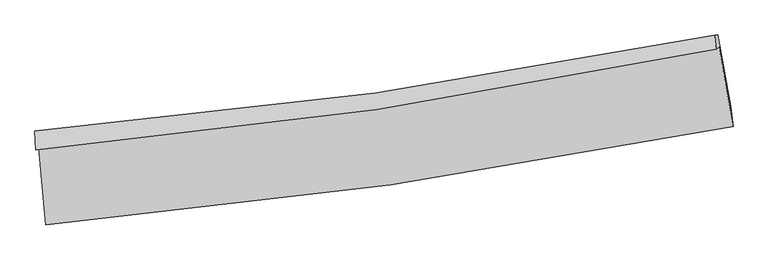
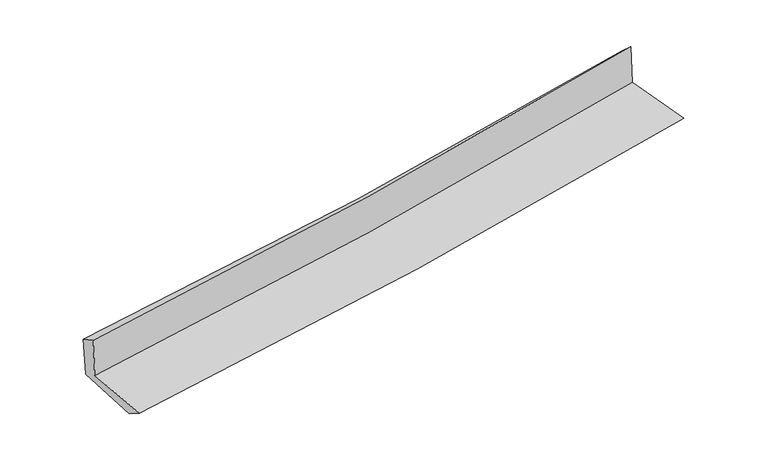
"""IFC4 building model written with IfcOpenShell, lengths in millimetres: proxy geometry."""

import ifcopenshell
import ifcopenshell.guid

model = None  # the IFC model being written
_history = None  # IfcOwnerHistory: only IFC2X3 demands one
_inside = {}  # id of a spatial element -> (the spatial element, [elements in it])
_under = {}  # id of a project, library or spatial element -> (it, [spatial elements below it])
_declared = {}  # id of a project -> (the project, [libraries it declares])
_typed = {}  # id of a type object -> (the type object, [elements of that type])
_made_of = {}  # id of a material, layer set ... -> (it, [elements and type objects made of it])


def new_model(schema):
    """Start an empty IFC model of exactly this schema.

    Asked for "IFC4X3", IfcOpenShell would pick the latest addendum, in which some entities
    have other attributes; the version numbers below select the first issue.
    IFC2X3 requires an IfcOwnerHistory on every rooted entity: one is made here for all.
    """
    global model, _history
    if schema == "IFC4X3":
        model = ifcopenshell.file(schema_version=(4, 3, 0, 0))
    else:
        model = ifcopenshell.file(schema=schema)
    _inside.clear()
    _under.clear()
    _declared.clear()
    _typed.clear()
    _made_of.clear()
    _history = None
    if model.schema == "IFC2X3":
        org = make("IfcOrganization", Name="unknown")
        user = make(
            "IfcPersonAndOrganization",
            ThePerson=make("IfcPerson", FamilyName="unknown"),
            TheOrganization=org,
        )
        app = make(
            "IfcApplication",
            ApplicationDeveloper=org,
            Version="unknown",
            ApplicationFullName="unknown",
            ApplicationIdentifier="unknown",
        )
        _history = make(
            "IfcOwnerHistory",
            OwningUser=user,
            OwningApplication=app,
            ChangeAction="ADDED",
            CreationDate=0,
        )
    return model


def make(cls, **values):
    """One entity of the class cls with the attributes given. An attribute that is None is left unset."""
    return model.create_entity(
        cls, **{name: value for name, value in values.items() if value is not None}
    )


def rooted(cls, **values):
    """An entity with a GlobalId (a new one), such as an element, a storey or a relation."""
    return make(cls, GlobalId=ifcopenshell.guid.new(), OwnerHistory=_history, **values)


def si_unit(unit_type, name, prefix=None):
    """IfcSIUnit, for example si_unit("LENGTHUNIT", "METRE", prefix="MILLI")."""
    return make("IfcSIUnit", UnitType=unit_type, Prefix=prefix, Name=name)


def assignment(units):
    """IfcUnitAssignment: the units of a project."""
    return None if units is None else make("IfcUnitAssignment", Units=units)


def point(xyz):
    """IfcCartesianPoint."""
    return None if xyz is None else make("IfcCartesianPoint", Coordinates=xyz)


def direction(xyz):
    """IfcDirection."""
    return None if xyz is None else make("IfcDirection", DirectionRatios=xyz)


def frame(location, z_axis=None, x_axis=None):
    """IfcAxis2Placement3D, a coordinate frame: its origin and axes. An axis left out is left unset."""
    return make(
        "IfcAxis2Placement3D",
        Location=point(location),
        Axis=direction(z_axis),
        RefDirection=direction(x_axis),
    )


def origin():
    """The frame at (0, 0, 0) with its axes left unset."""
    return frame((0.0, 0.0, 0.0))


def place(relative_to, where):
    """IfcLocalPlacement: puts the frame where relative to a parent placement (None: the world)."""
    return make(
        "IfcLocalPlacement", PlacementRelTo=relative_to, RelativePlacement=where
    )


def context(
    kind, dimensions, precision=None, world=None, true_north=None, identifier=None
):
    """IfcGeometricRepresentationContext, for example the 3D "Model" context."""
    return make(
        "IfcGeometricRepresentationContext",
        ContextIdentifier=identifier,
        ContextType=kind,
        CoordinateSpaceDimension=dimensions,
        Precision=precision,
        WorldCoordinateSystem=world,
        TrueNorth=true_north,
    )


def project(units=None, contexts=None):
    """IfcProject with its units and contexts."""
    return rooted(
        "IfcProject",
        Name="project",
        RepresentationContexts=contexts,
        UnitsInContext=assignment(units),
    )


def spatial(cls, under=None, at=None, **own):
    """A site, building, storey or space (cls), placed at a placement, below another one or the project."""
    s = rooted(cls, ObjectPlacement=at, **own)
    if under is not None:
        _under.setdefault(under.id(), (under, []))[1].append(s)
    return s


def shape(context_of_items, identifier, shape_type, items):
    """IfcShapeRepresentation: the items that make up one representation, for example the "Body"."""
    return make(
        "IfcShapeRepresentation",
        ContextOfItems=context_of_items,
        RepresentationIdentifier=identifier,
        RepresentationType=shape_type,
        Items=items,
    )


def source(mapping_origin, context_of_items, identifier, shape_type, items):
    """IfcRepresentationMap: a shape defined once, which mapped items show again and again."""
    return make(
        "IfcRepresentationMap",
        MappingOrigin=mapping_origin,
        MappedRepresentation=shape(context_of_items, identifier, shape_type, items),
    )


def transform(
    local_origin,
    x_axis=None,
    y_axis=None,
    z_axis=None,
    scale=None,
    scale2=None,
    scale3=None,
    uniform=True,
):
    """IfcCartesianTransformationOperator3D, or its non-uniform kind. x_axis, y_axis, z_axis: its Axis1, 2, 3."""
    if uniform:
        return make(
            "IfcCartesianTransformationOperator3D",
            Axis1=direction(x_axis),
            Axis2=direction(y_axis),
            LocalOrigin=point(local_origin),
            Scale=scale,
            Axis3=direction(z_axis),
        )
    return make(
        "IfcCartesianTransformationOperator3DnonUniform",
        Axis1=direction(x_axis),
        Axis2=direction(y_axis),
        LocalOrigin=point(local_origin),
        Scale=scale,
        Axis3=direction(z_axis),
        Scale2=scale2,
        Scale3=scale3,
    )


def mapped(mapping_source, mapping_target):
    """IfcMappedItem: shows the shape of a source again, moved by a transform."""
    return make(
        "IfcMappedItem", MappingSource=mapping_source, MappingTarget=mapping_target
    )


def made_of(thing, what):
    """Note that an element or type object is made of a material, layer set ...; save() writes the relation."""
    if what is not None:
        _made_of.setdefault(what.id(), (what, []))[1].append(thing)
    return thing


def element(
    cls,
    number,
    at=None,
    inside=None,
    cuts=None,
    type_object=None,
    material=None,
    context=None,
    identifier="Body",
    shape_type=None,
    held_by="IfcProductDefinitionShape",
    body=None,
    shapes=None,
    **own,
):
    """One element of the class cls, such as IfcWall. Its Tag is "e" and its number.

    at: its placement. inside: the storey or other place that contains it. cuts: it is an
    opening in that element (IfcRelVoidsElement). A single representation is given by context,
    identifier, shape_type and body (its items); several are given by shapes. held_by: the class
    of the entity that holds the representations. save() writes the other relations.
    """
    e = rooted(cls, Tag="e%d" % number, ObjectPlacement=at, **own)
    if body is not None:
        shapes = [shape(context, identifier, shape_type, body)]
    if shapes is not None:
        e.Representation = make(held_by, Representations=shapes)
    if inside is not None:
        _inside.setdefault(inside.id(), (inside, []))[1].append(e)
    if cuts is not None:
        rooted(
            "IfcRelVoidsElement", RelatingBuildingElement=cuts, RelatedOpeningElement=e
        )
    if type_object is not None:
        _typed.setdefault(type_object.id(), (type_object, []))[1].append(e)
    return made_of(e, material)


def aggregate(whole, parts):
    """IfcRelAggregates: a whole, such as a stair, and the parts it consists of."""
    return rooted("IfcRelAggregates", RelatingObject=whole, RelatedObjects=parts)


def save(model, path):
    """Write the relations noted so far, then the file.

    IfcRelAggregates (storeys below a building ...), IfcRelContainedInSpatialStructure (elements
    in a storey), IfcRelDefinesByType, IfcRelAssociatesMaterial and IfcRelDeclares: one each for
    every whole, place, type object, material and project.
    """
    for whole, parts in _under.values():
        aggregate(whole, parts)
    for where, things in _inside.values():
        rooted(
            "IfcRelContainedInSpatialStructure",
            RelatedElements=things,
            RelatingStructure=where,
        )
    for kind, things in _typed.values():
        rooted("IfcRelDefinesByType", RelatedObjects=things, RelatingType=kind)
    for what, things in _made_of.values():
        rooted("IfcRelAssociatesMaterial", RelatedObjects=things, RelatingMaterial=what)
    for by, libraries in _declared.values():
        rooted("IfcRelDeclares", RelatingContext=by, RelatedDefinitions=libraries)
    model.write(path)


def plane_surface(at):
    """IfcPlane: the flat surface through the origin of the frame at, square to its z axis."""
    return make("IfcPlane", Position=at)


def spline_curve(degree, points, multiplicities, knots, weights=None):
    """IfcBSplineCurveWithKnots; with weights, IfcRationalBSplineCurveWithKnots."""
    own = dict(
        Degree=degree,
        ControlPointsList=[point(p) for p in points],
        CurveForm="UNSPECIFIED",
        ClosedCurve=False,
        SelfIntersect=False,
        KnotMultiplicities=multiplicities,
        Knots=knots,
        KnotSpec="UNSPECIFIED",
    )
    if weights is None:
        return make("IfcBSplineCurveWithKnots", **own)
    return make("IfcRationalBSplineCurveWithKnots", WeightsData=weights, **own)


def spline_surface(u_degree, v_degree, points, u_multiplicities, v_multiplicities, u_knots, v_knots, weights=None):
    """IfcBSplineSurfaceWithKnots; with weights, IfcRationalBSplineSurfaceWithKnots. points: one row for each step in u."""
    own = dict(
        UDegree=u_degree,
        VDegree=v_degree,
        ControlPointsList=[[point(p) for p in row] for row in points],
        SurfaceForm="UNSPECIFIED",
        UClosed=False,
        VClosed=False,
        SelfIntersect=False,
        UMultiplicities=u_multiplicities,
        VMultiplicities=v_multiplicities,
        UKnots=u_knots,
        VKnots=v_knots,
        KnotSpec="UNSPECIFIED",
    )
    if weights is None:
        return make("IfcBSplineSurfaceWithKnots", **own)
    return make("IfcRationalBSplineSurfaceWithKnots", WeightsData=weights, **own)


def advanced_brep(points, edges, surfaces, faces):
    """IfcAdvancedBrep: a solid bounded by faces that lie on surfaces and meet in shared edges.

    An edge is (start, end): straight between two places in points (the first is 0);
    or (start, end, curve); or (start, end, curve, False) where it runs against its curve.
    A face is (place in surfaces, loops), or (place, loops, False) where it looks against
    its surface's normal. A loop lists edges by number (the first is 1), with a minus sign
    where the edge is run from its end to its start. The first loop is the outer one.
    """
    corners = [point(p) for p in points]
    vertices = [make("IfcVertexPoint", VertexGeometry=c) for c in corners]
    made = []
    for start, end, *more in edges:
        made.append(
            make(
                "IfcEdgeCurve",
                EdgeStart=vertices[start],
                EdgeEnd=vertices[end],
                EdgeGeometry=more[0] if more else make("IfcPolyline", Points=[corners[start], corners[end]]),
                SameSense=more[1] if len(more) > 1 else True,
            )
        )
    hull = []
    for where, loops, *sense in faces:
        bounds = []
        for j, loop in enumerate(loops):
            ring = [make("IfcOrientedEdge", EdgeElement=made[abs(k) - 1], Orientation=k > 0) for k in loop]
            bounds.append(
                make(
                    "IfcFaceOuterBound" if j == 0 else "IfcFaceBound",
                    Bound=make("IfcEdgeLoop", EdgeList=ring),
                    Orientation=True,
                )
            )
        hull.append(make("IfcAdvancedFace", Bounds=bounds, FaceSurface=surfaces[where], SameSense=sense[0] if sense else True))
    return make("IfcAdvancedBrep", Outer=make("IfcClosedShell", CfsFaces=hull))


def generic_models_b0c0f821(model_context):
    return source(origin(), model_context, "Body", "AdvancedBrep", [
        advanced_brep(
        [(-2955.6739566, -1897.0591084, 1628.3334299), (-2896.942402, -2561.3913537, 1613.6938887), (3025.6314058, -1713.5179771, 2134.6607753), (2905.072383, -1030.4528057, 2141.9358241), (-2981.61252, -1914.8835445, 2022.1375056), (2879.2457767, -1048.2003073, 2534.0401466), (-2989.7612755, -1753.8575489, 1938.477058), (2865.7829995, -925.5474194, 2424.466876), (-2963.3811586, -1752.0063093, 1558.2265411), (2895.1093754, -922.5890554, 2020.1550141), (-2903.5575553, -2405.5078935, 1514.4618214), (3005.4957334, -1542.5070988, 2000.3769051)],
        [
            (0, 1),
            (1, 2, spline_curve(3, [(-2896.942402, -2561.3913537, 1613.6938887), (-1904.622758671, -2472.56651727, 1708.284498078), (-915.718220211, -2357.656570482, 1798.929050506), (1058.495505877, -2075.203640615, 1972.61062766), (2043.782236925, -1907.489128659, 2055.621704081), (3025.6314058, -1713.5179771, 2134.6607753)], [4, 2, 4], [0.0, 9.7917597362202, 19.615660828400816])),
            (2, 3),
            (3, 0, spline_curve(3, [(2905.072383, -1030.4528057, 2141.9358241), (1934.395648996, -1231.679529413, 2065.301834452), (959.855169527, -1404.582080284, 1984.107048916), (-993.752184552, -1693.265811697, 1812.876455775), (-1972.793818694, -1809.232028461, 1722.870443755), (-2955.6739566, -1897.0591084, 1628.3334299)], [4, 2, 4], [0.0, 9.823901092180616, 19.615660828400816])),
            (4, 0),
            (3, 5),
            (5, 4, spline_curve(3, [(2879.2457767, -1048.2003073, 2534.0401466), (1908.365970758, -1249.566577659, 2460.489232242), (933.714761438, -1422.545220085, 2380.975569142), (-1019.929308503, -1711.254181555, 2210.302401776), (-1998.897531505, -1827.169952016, 2119.181851593), (-2981.61252, -1914.8835445, 2022.1375056)], [4, 2, 4], [0.0, 9.775941834858964, 19.51989922449457])),
            (6, 4),
            (5, 7),
            (7, 6, spline_curve(3, [(2865.7829995, -925.5474194, 2424.466876), (1895.519844735, -1119.3547404, 2349.083073144), (921.62074365, -1285.351853461, 2270.820951643), (-1030.251101204, -1561.273551625, 2108.805541856), (-2008.200091479, -1671.379814859, 2025.071057614), (-2989.7612755, -1753.8575489, 1938.477058)], [4, 2, 4], [0.0, 9.765129673066506, 19.498310275608322])),
            (8, 6),
            (7, 9),
            (9, 8, spline_curve(3, [(2895.1093754, -922.5890554, 2020.1550141), (1924.414975809, -1116.327070354, 1947.445434398), (950.054278455, -1282.382150346, 1872.529921653), (-1002.799850482, -1558.673721281, 1718.539353095), (-1981.269331282, -1669.091059307, 1639.478707953), (-2963.3811586, -1752.0063093, 1558.2265411)], [4, 2, 4], [0.0, 9.755375516940253, 19.47883387652363])),
            (10, 8),
            (9, 11),
            (11, 10, spline_curve(3, [(3005.4957334, -1542.5070988, 2000.3769051), (2028.124561078, -1755.531049048, 1929.595519508), (1046.203565038, -1934.021103384, 1853.637084136), (-923.510587774, -2221.462431943, 1691.63156915), (-1911.274021227, -2330.639309304, 1605.618309686), (-2903.5575553, -2405.5078935, 1514.4618214)], [4, 2, 4], [0.0, 9.803002732672368, 19.573932483608125])),
            (1, 10),
            (11, 2),
        ],
        [
            spline_surface(3, 3, [[(-2955.6739566, -1897.0591084, 1628.3334299), (-1972.79381854, -1809.232028485, 1722.870443617), (-993.752184648, -1693.265811731, 1812.876455924), (959.855169623, -1404.58208025, 1984.107048767), (1934.395648916, -1231.67952942, 2065.301834486), (2905.072383, -1030.4528057, 2141.9358241)], [(-2936.096771717, -2118.503190177, 1623.453582847), (-1950.070131896, -2030.343524739, 1718.008461825), (-967.740863192, -1914.729397922, 1808.227320784), (992.735281703, -1628.122600406, 1980.274908409), (1970.857844863, -1456.949395862, 2062.075124408), (2945.258723921, -1258.141196146, 2139.510807842)], [(-2916.519586883, -2339.947271923, 1618.573735753), (-1927.346445299, -2251.455020964, 1713.14647999), (-941.729541694, -2136.192984151, 1803.578185628), (1025.615393823, -1851.663120599, 1976.442768035), (2007.320040847, -1682.219262366, 2058.848414302), (2985.445064879, -1485.829586654, 2137.085791558)], [(-2896.942402, -2561.3913537, 1613.6938887), (-1904.622758655, -2472.566517218, 1708.284498198), (-915.718220237, -2357.656570342, 1798.929050489), (1058.495505903, -2075.203640756, 1972.610627677), (2043.782236794, -1907.489128809, 2055.621704223), (3025.6314058, -1713.5179771, 2134.6607753)]], [4, 4], [4, 2, 4], [0.0, 2.2095166705597733], [0.0, 9.7917597362202, 19.615660828400816]),
            spline_surface(3, 3, [[(-2981.61252, -1914.8835445, 2022.1375056), (-1998.897531565, -1827.16995194, 2119.181851532), (-1019.929308556, -1711.254181716, 2210.302401896), (933.714761491, -1422.545219924, 2380.975569022), (1908.365970712, -1249.566577769, 2460.489232265), (2879.2457767, -1048.2003073, 2534.0401466)], [(-2972.966332213, -1908.942065784, 1890.869480367), (-1990.196293903, -1821.190644105, 1987.078048894), (-1011.20360059, -1705.258058403, 2077.827086584), (942.428230865, -1416.557506715, 2248.686062283), (1917.042530107, -1243.604228322, 2328.760099663), (2887.85464546, -1042.284473436, 2403.338705757)], [(-2964.320144387, -1903.000587116, 1759.601455133), (-1981.495056203, -1815.211336319, 1854.974246255), (-1002.477892614, -1699.261935044, 1945.351771236), (951.14170025, -1410.569793459, 2116.396555506), (1925.719089522, -1237.641878866, 2197.030967089), (2896.46351424, -1036.368639564, 2272.637264943)], [(-2955.6739566, -1897.0591084, 1628.3334299), (-1972.79381854, -1809.232028485, 1722.870443617), (-993.752184648, -1693.265811731, 1812.876455924), (959.855169623, -1404.58208025, 1984.107048767), (1934.395648916, -1231.67952942, 2065.301834486), (2905.072383, -1030.4528057, 2141.9358241)]], [4, 4], [4, 2, 4], [0.0, 1.307127930453483], [0.0, 9.743957389635606, 19.51989922449457]),
            spline_surface(3, 3, [[(-2989.7612755, -1753.8575489, 1938.477058), (-2008.200091482, -1671.379814835, 2025.071057609), (-1030.251101056, -1561.273551579, 2108.805542007), (921.620743501, -1285.351853506, 2270.820951491), (1895.519844763, -1119.354740301, 2349.083073069), (2865.7829995, -925.5474194, 2424.466876)], [(-2987.045023653, -1807.532880776, 1966.36387385), (-2005.099238163, -1723.309860546, 2056.441322233), (-1026.810503534, -1611.267094952, 2142.637828637), (925.652082853, -1331.082975639, 2307.539157335), (1899.801886772, -1162.758686142, 2386.218459469), (2870.270591926, -966.431715385, 2460.991299534)], [(-2984.328771847, -1861.208212624, 1994.25068975), (-2001.998384885, -1775.239906229, 2087.811586908), (-1023.369906078, -1661.260638343, 2176.470115266), (929.683422139, -1376.814097791, 2344.257363178), (1904.083928703, -1206.162631927, 2423.353845866), (2874.758184274, -1007.316011315, 2497.515723066)], [(-2981.61252, -1914.8835445, 2022.1375056), (-1998.897531565, -1827.16995194, 2119.181851532), (-1019.929308556, -1711.254181716, 2210.302401896), (933.714761491, -1422.545219924, 2380.975569022), (1908.365970712, -1249.566577769, 2460.489232265), (2879.2457767, -1048.2003073, 2534.0401466)]], [4, 4], [4, 2, 4], [0.0, 0.5863346004054203], [0.0, 9.733180602541816, 19.498310275608322]),
            spline_surface(3, 3, [[(-2963.3811586, -1752.0063093, 1558.2265411), (-1981.26933134, -1669.09105927, 1639.478708007), (-1002.799850595, -1558.673721296, 1718.539353083), (950.054278568, -1282.382150332, 1872.529921666), (1924.414975856, -1116.327070333, 1947.445434247), (2895.1093754, -922.5890554, 2020.1550141)], [(-2972.174530904, -1752.623389183, 1684.976713412), (-1990.246251391, -1669.853977808, 1768.00949122), (-1011.950267443, -1559.540331398, 1848.628082725), (940.576433517, -1283.372051398, 2005.293598275), (1914.783265493, -1117.33629365, 2081.324647207), (2885.333916768, -923.575176728, 2154.925634753)], [(-2980.967903196, -1753.240469017, 1811.726885688), (-1999.223171431, -1670.616896296, 1896.540274396), (-1021.100684207, -1560.406941477, 1978.716812364), (931.098588552, -1284.36195244, 2138.057274882), (1905.151555126, -1118.345516984, 2215.203860109), (2875.558458132, -924.561298072, 2289.696255347)], [(-2989.7612755, -1753.8575489, 1938.477058), (-2008.200091482, -1671.379814835, 2025.071057609), (-1030.251101056, -1561.273551579, 2108.805542007), (921.620743501, -1285.351853506, 2270.820951491), (1895.519844763, -1119.354740301, 2349.083073069), (2865.7829995, -925.5474194, 2424.466876)]], [4, 4], [4, 2, 4], [0.0, 1.2968849784178038], [0.0, 9.723458359583377, 19.47883387652363]),
            spline_surface(3, 3, [[(-2903.5575553, -2405.5078935, 1514.4618214), (-1911.274021186, -2330.639309177, 1605.618309828), (-923.510587691, -2221.462431983, 1691.631569044), (1046.203564955, -1934.021103344, 1853.637084242), (2028.124561019, -1755.53104899, 1929.595519564), (3005.4957334, -1542.5070988, 2000.3769051)], [(-2923.498756391, -2187.674032096, 1529.050061306), (-1934.605791228, -2110.12322587, 1616.905109227), (-949.940341991, -2000.532861739, 1700.600830383), (1014.153802827, -1716.808118992, 1859.934696709), (1993.554699287, -1542.463056112, 1935.545491121), (2968.700280722, -1335.867751008, 2006.969608097)], [(-2943.439957509, -1969.840170704, 1543.638301194), (-1957.937561298, -1889.607142576, 1628.191908608), (-976.370096294, -1779.60329154, 1709.570091744), (982.104040696, -1499.595134684, 1866.232309198), (1958.984837588, -1329.395063211, 1941.495462689), (2931.904828078, -1129.228403192, 2013.562311103)], [(-2963.3811586, -1752.0063093, 1558.2265411), (-1981.26933134, -1669.09105927, 1639.478708007), (-1002.799850595, -1558.673721296, 1718.539353083), (950.054278568, -1282.382150332, 1872.529921666), (1924.414975856, -1116.327070333, 1947.445434247), (2895.1093754, -922.5890554, 2020.1550141)]], [4, 4], [4, 2, 4], [0.0, 2.17658266592914], [0.0, 9.770929750935757, 19.573932483608125]),
            spline_surface(3, 3, [[(-2896.942402, -2561.3913537, 1613.6938887), (-1904.622758655, -2472.566517218, 1708.284498198), (-915.718220237, -2357.656570342, 1798.929050489), (1058.495505903, -2075.203640756, 1972.610627677), (2043.782236794, -1907.489128809, 2055.621704223), (3025.6314058, -1713.5179771, 2134.6607753)], [(-2899.147453122, -2509.430200284, 1580.616532917), (-1906.839846188, -2425.257447855, 1674.062435392), (-918.315676033, -2312.258524232, 1763.163223329), (1054.398192276, -2028.142794962, 1932.952779853), (2038.563011538, -1856.836435533, 2013.612975986), (3018.919515003, -1656.514350997, 2089.899485216)], [(-2901.352504178, -2457.469046916, 1547.539177183), (-1909.056933653, -2377.94837854, 1639.840372634), (-920.913131896, -2266.860478093, 1727.397396204), (1050.300878582, -1981.081949138, 1893.294932065), (2033.343786275, -1806.183742266, 1971.6042478), (3012.207624197, -1599.510724903, 2045.138195184)], [(-2903.5575553, -2405.5078935, 1514.4618214), (-1911.274021186, -2330.639309177, 1605.618309828), (-923.510587691, -2221.462431983, 1691.631569044), (1046.203564955, -1934.021103344, 1853.637084242), (2028.124561019, -1755.53104899, 1929.595519564), (3005.4957334, -1542.5070988, 2000.3769051)]], [4, 4], [4, 2, 4], [0.0, 0.588192556507676], [0.0, 9.828584897974528, 19.689432030144246]),
            plane_surface(frame((2929.3896123, -1197.1357773, 2209.2725902), z_axis=(0.9823184298675318, 0.17260403326540874, 0.07251448160954363), x_axis=(-0.07234206332213101, -0.007297667988381544, 0.9973531821357108))),
            plane_surface(frame((-2948.4881447, -2047.4509597, 1712.5550408), z_axis=(-0.993848224437844, -0.08633438926430027, -0.06936915749888763), x_axis=(-0.08804221944264753, 0.9958749717535289, 0.02194557428095462))),
        ],
        [
            (0, [[1, 2, 3, 4]]),
            (1, [[5, -4, 6, 7]]),
            (2, [[8, -7, 9, 10]]),
            (3, [[11, -10, 12, 13]]),
            (4, [[14, -13, 15, 16]]),
            (5, [[17, -16, 18, -2]]),
            (6, [[-12, -9, -6, -3, -18, -15]]),
            (7, [[-1, -5, -8, -11, -14, -17]]),
        ],
    ),
    ])


if __name__ == "__main__":
    model = new_model("IFC4")
    model_context = context("Model", 3, world=origin())
    ifc_project = project(units=[si_unit("LENGTHUNIT", "METRE", prefix="MILLI")], contexts=[model_context])
    site = spatial("IfcSite", under=ifc_project)
    building = spatial("IfcBuilding", under=site)
    placement = place(None, origin())
    generic_models_shape = generic_models_b0c0f821(model_context)
    element("IfcBuildingElementProxy", 1, Name="Generic Models", at=placement, inside=building, context=model_context, shape_type="MappedRepresentation", body=[
        mapped(generic_models_shape, transform((0.0, 0.0, 0.0), x_axis=(1.0, 0.0, 0.0), y_axis=(0.0, 1.0, 0.0), z_axis=(0.0, 0.0, 1.0))),
    ])
    save(model, "model.ifc")
